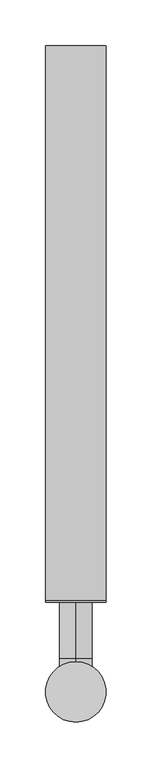
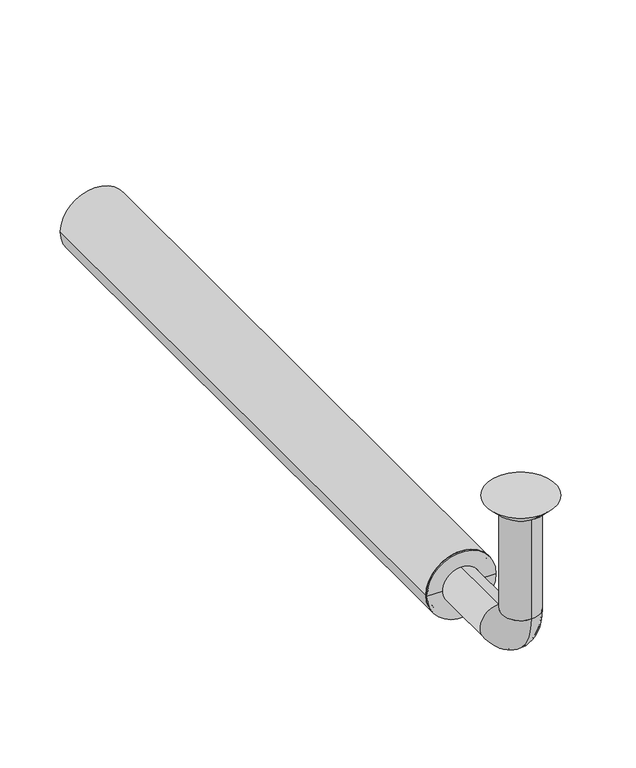
"""IFC4 building model written with IfcOpenShell, lengths in millimetres: beam geometry."""

from ifc_helpers import new_model, si_unit, point, frame, frame_2d, origin, place, context, project, spatial, polyline, circle_curve, ellipse_curve, trimmed, segment, composite_curve, outline, extrude, source, transform, mapped, element, save
from ifc_brep_helpers import plane_surface, cylinder_surface, revolved_surface, advanced_brep


def beam_f6199b5f(model_context):
    return source(origin(), model_context, "Body", "SolidModel", [
        extrude(outline(composite_curve([segment(trimmed(circle_curve(frame_2d((-150.0, 0.0)), 33.0), [point((-150.0, 33.0))], [point((-150.0, -33.0))], False, "CARTESIAN"), True, "CONTINUOUS"), segment(trimmed(circle_curve(frame_2d((-150.0, 0.0)), 33.0), [point((-150.0, -33.0))], [point((-150.0, 33.0))], False, "CARTESIAN"), True, "CONTINUOUS")], self_intersect=False), holes=[composite_curve([segment(trimmed(circle_curve(frame_2d((-150.0, 0.0)), 30.0), [point((-150.0, 30.0))], [point((-150.0, -30.0))], True, "CARTESIAN"), True, "CONTINUOUS"), segment(trimmed(circle_curve(frame_2d((-150.0, 0.0)), 30.0), [point((-150.0, -30.0))], [point((-150.0, 30.0))], True, "CARTESIAN"), True, "CONTINUOUS")], self_intersect=False)]), frame((0.0, 100.0, 0.0), z_axis=(0.0, 1.0, 0.0), x_axis=(0.0, 0.0, 1.0)), (0.0, 0.0, 1.0), 605.0),
        advanced_brep(
        [(0.0, -18.0, -10.0), (0.0, 18.0, -10.0), (0.0, -17.0, -10.0), (0.0, 17.0, -10.0), (0.0, -18.0, -114.0), (0.0, 18.0, -114.0), (0.0, -17.0, -114.0), (0.0, 17.0, -114.0), (0.0, 36.0, -132.0), (0.0, 36.0, -168.0), (0.0, 36.0, -133.0), (0.0, 36.0, -167.0), (0.0, 123.0, -168.0), (0.0, 123.0, -132.0), (0.0, 123.0, -167.0), (0.0, 123.0, -133.0)],
        [
            (0, 1, circle_curve(frame((0.0, 0.0, -10.0), z_axis=(0.0, 0.0, 1.0), x_axis=(0.0, 1.0, 0.0)), 18.0)),
            (1, 0, circle_curve(frame((0.0, 0.0, -10.0), z_axis=(0.0, 0.0, 1.0), x_axis=(0.0, 1.0, 0.0)), 18.0)),
            (2, 3, circle_curve(frame((0.0, 0.0, -10.0), z_axis=(0.0, 0.0, -1.0), x_axis=(0.0, 1.0, 0.0)), 17.0)),
            (3, 2, circle_curve(frame((0.0, 0.0, -10.0), z_axis=(0.0, 0.0, -1.0), x_axis=(0.0, 1.0, 0.0)), 17.0)),
            (0, 4),
            (4, 5, circle_curve(frame((0.0, 0.0, -114.0), z_axis=(0.0, 0.0, 1.0), x_axis=(0.0, 1.0, 0.0)), 18.0)),
            (5, 1),
            (5, 4, circle_curve(frame((0.0, 0.0, -114.0), z_axis=(0.0, 0.0, 1.0), x_axis=(0.0, 1.0, 0.0)), 18.0)),
            (2, 6),
            (6, 7, circle_curve(frame((0.0, 0.0, -114.0), z_axis=(0.0, 0.0, -1.0), x_axis=(0.0, 1.0, 0.0)), 17.0)),
            (7, 3),
            (7, 6, circle_curve(frame((0.0, 0.0, -114.0), z_axis=(0.0, 0.0, -1.0), x_axis=(0.0, 1.0, 0.0)), 17.0)),
            (8, 5, circle_curve(frame((0.0, 36.0, -114.0), z_axis=(-1.0, 0.0, 0.0), x_axis=(0.0, -1.0, 0.0)), 18.0)),
            (4, 9, circle_curve(frame((0.0, 36.0, -114.0), z_axis=(1.0, 0.0, 0.0), x_axis=(0.0, -1.0, 0.0)), 54.0)),
            (9, 8, circle_curve(frame((0.0, 36.0, -150.0), z_axis=(0.0, -1.0, 0.0), x_axis=(0.0, 0.0, 1.0)), 18.0)),
            (8, 9, circle_curve(frame((0.0, 36.0, -150.0), z_axis=(0.0, -1.0, 0.0), x_axis=(0.0, 0.0, 1.0)), 18.0)),
            (10, 7, circle_curve(frame((0.0, 36.0, -114.0), z_axis=(-1.0, 0.0, 0.0), x_axis=(0.0, -1.0, 0.0)), 19.0)),
            (6, 11, circle_curve(frame((0.0, 36.0, -114.0), z_axis=(1.0, 0.0, 0.0), x_axis=(0.0, -1.0, 0.0)), 53.0)),
            (11, 10, circle_curve(frame((0.0, 36.0, -150.0), z_axis=(0.0, 1.0, 0.0), x_axis=(0.0, 0.0, 1.0)), 17.0)),
            (10, 11, circle_curve(frame((0.0, 36.0, -150.0), z_axis=(0.0, 1.0, 0.0), x_axis=(0.0, 0.0, 1.0)), 17.0)),
            (12, 13, circle_curve(frame((0.0, 123.0, -150.0), z_axis=(0.0, 1.0, 0.0), x_axis=(0.0, 0.0, 1.0)), 18.0)),
            (13, 12, circle_curve(frame((0.0, 123.0, -150.0), z_axis=(0.0, 1.0, 0.0), x_axis=(0.0, 0.0, 1.0)), 18.0)),
            (14, 15, circle_curve(frame((0.0, 123.0, -150.0), z_axis=(0.0, -1.0, 0.0), x_axis=(0.0, 0.0, 1.0)), 17.0)),
            (15, 14, circle_curve(frame((0.0, 123.0, -150.0), z_axis=(0.0, -1.0, 0.0), x_axis=(0.0, 0.0, 1.0)), 17.0)),
            (9, 12),
            (13, 8),
            (11, 14),
            (15, 10),
        ],
        [
            plane_surface(frame((0.0, 0.0, -10.0), z_axis=(0.0, 0.0, 1.0), x_axis=(1.0, 0.0, 0.0))),
            cylinder_surface(frame((0.0, 0.0, -10.0), z_axis=(0.0, 0.0, 1.0), x_axis=(0.0, 1.0, 0.0)), 18.0),
            revolved_surface(polyline([(0.0, 17.0, -114.0), (0.0, 17.0, -10.0)]), (0.0, 0.0, -10.0), (0.0, 0.0, -1.0)),
            revolved_surface(trimmed(ellipse_curve(frame((0.0, 0.0, -114.0), z_axis=(0.0, 0.0, 1.0), x_axis=(0.0, 1.0, 0.0)), 18.0, 18.0), [point((0.0, -18.0, -114.0))], [point((0.0, 18.0, -114.0))], True, "CARTESIAN"), (0.0, 36.0, -114.0), (1.0, 0.0, 0.0)),
            revolved_surface(trimmed(ellipse_curve(frame((0.0, 0.0, -114.0), z_axis=(0.0, 0.0, 1.0), x_axis=(0.0, 1.0, 0.0)), 18.0, 18.0), [point((0.0, 18.0, -114.0))], [point((0.0, -18.0, -114.0))], True, "CARTESIAN"), (0.0, 36.0, -114.0), (1.0, 0.0, 0.0)),
            revolved_surface(trimmed(ellipse_curve(frame((0.0, 0.0, -114.0), z_axis=(0.0, 0.0, -1.0), x_axis=(0.0, 1.0, 0.0)), 17.0, 17.0), [point((0.0, -17.0, -114.0))], [point((0.0, 17.0, -114.0))], True, "CARTESIAN"), (0.0, 36.0, -114.0), (1.0, 0.0, 0.0)),
            revolved_surface(trimmed(ellipse_curve(frame((0.0, 0.0, -114.0), z_axis=(0.0, 0.0, -1.0), x_axis=(0.0, 1.0, 0.0)), 17.0, 17.0), [point((0.0, 17.0, -114.0))], [point((0.0, -17.0, -114.0))], True, "CARTESIAN"), (0.0, 36.0, -114.0), (1.0, 0.0, 0.0)),
            plane_surface(frame((0.0, 123.0, -150.0), z_axis=(0.0, 1.0, 0.0), x_axis=(1.0, 0.0, 0.0))),
            cylinder_surface(frame((0.0, 36.0, -150.0), z_axis=(0.0, -1.0, 0.0), x_axis=(0.0, 0.0, 1.0)), 18.0),
            revolved_surface(polyline([(0.0, 123.0, -133.0), (0.0, 36.0, -133.0)]), (0.0, 36.0, -150.0), (0.0, 1.0, 0.0)),
        ],
        [
            (0, [[1, 2], [3, 4]]),
            (1, [[-1, 5, 6, 7]]),
            (1, [[-2, -7, 8, -5]]),
            (2, [[-3, 9, 10, 11]]),
            (2, [[-4, -11, 12, -9]]),
            (3, [[13, -6, 14, 15]]),
            (4, [[-14, -8, -13, 16]]),
            (5, [[17, -10, 18, 19]]),
            (6, [[-18, -12, -17, 20]]),
            (7, [[21, 22], [23, 24]]),
            (8, [[-15, 25, -22, 26]]),
            (8, [[-16, -26, -21, -25]]),
            (9, [[-19, 27, -24, 28]]),
            (9, [[-20, -28, -23, -27]]),
        ],
    ),
        advanced_brep(
        [(0.0, 23.0, -10.0), (0.0, -23.0, -10.0), (0.0, 33.0, 0.0), (0.0, -33.0, 0.0)],
        [
            (0, 1, circle_curve(frame((0.0, 0.0, -10.0), z_axis=(0.0, 0.0, -1.0), x_axis=(0.0, 1.0, 0.0)), 23.0)),
            (1, 0, circle_curve(frame((0.0, 0.0, -10.0), z_axis=(0.0, 0.0, -1.0), x_axis=(0.0, -1.0, 0.0)), 23.0)),
            (2, 3, circle_curve(frame((0.0, 0.0, 0.0), z_axis=(0.0, 0.0, 1.0), x_axis=(0.0, -1.0, 0.0)), 33.0)),
            (3, 2, circle_curve(frame((0.0, 0.0, 0.0), z_axis=(0.0, 0.0, 1.0), x_axis=(0.0, 1.0, 0.0)), 33.0)),
            (3, 1),
            (0, 2),
        ],
        [
            plane_surface(frame((0.0, 0.0, -10.0), z_axis=(0.0, 0.0, -1.0), x_axis=(-1.0, 0.0, 0.0))),
            plane_surface(frame((0.0, 0.0, 0.0), z_axis=(0.0, 0.0, 1.0), x_axis=(-1.0, 0.0, 0.0))),
            revolved_surface(polyline([(0.0, 23.0, -10.0), (0.0, 33.0, 0.0)]), (0.0, 0.0, -33.0), (0.0, 0.0, 1.0)),
            revolved_surface(polyline([(0.0, -23.0, -10.0), (0.0, -33.0, 0.0)]), (0.0, 0.0, -33.0), (0.0, 0.0, 1.0)),
        ],
        [
            (0, [[1, 2]]),
            (1, [[3, 4]]),
            (2, [[-4, 5, -1, 6]]),
            (3, [[-3, -6, -2, -5]]),
        ],
    ),
        advanced_brep(
        [(30.0, 100.0, -150.0), (-30.0, 100.0, -150.0), (-30.0, 123.0, -150.0), (30.0, 123.0, -150.0), (-18.0, 123.0, -150.0), (18.0, 123.0, -150.0), (-18.0, 98.0, -150.0), (18.0, 98.0, -150.0), (-33.0, 98.0, -150.0), (33.0, 98.0, -150.0), (-33.0, 100.0, -150.0), (33.0, 100.0, -150.0)],
        [
            (0, 1, circle_curve(frame((0.0, 100.0, -150.0), z_axis=(0.0, 1.0, 0.0), x_axis=(-1.0, 0.0, 0.0)), 30.0)),
            (1, 2),
            (2, 3, circle_curve(frame((0.0, 123.0, -150.0), z_axis=(0.0, -1.0, 0.0), x_axis=(-1.0, 0.0, 0.0)), 30.0)),
            (3, 0),
            (1, 0, circle_curve(frame((0.0, 100.0, -150.0), z_axis=(0.0, 1.0, 0.0), x_axis=(-1.0, 0.0, 0.0)), 30.0)),
            (3, 2, circle_curve(frame((0.0, 123.0, -150.0), z_axis=(0.0, -1.0, 0.0), x_axis=(-1.0, 0.0, 0.0)), 30.0)),
            (2, 4),
            (4, 5, circle_curve(frame((0.0, 123.0, -150.0), z_axis=(0.0, -1.0, 0.0), x_axis=(-1.0, 0.0, 0.0)), 18.0)),
            (5, 3),
            (5, 4, circle_curve(frame((0.0, 123.0, -150.0), z_axis=(0.0, -1.0, 0.0), x_axis=(-1.0, 0.0, 0.0)), 18.0)),
            (4, 6),
            (6, 7, circle_curve(frame((0.0, 98.0, -150.0), z_axis=(0.0, -1.0, 0.0), x_axis=(-1.0, 0.0, 0.0)), 18.0)),
            (7, 5),
            (7, 6, circle_curve(frame((0.0, 98.0, -150.0), z_axis=(0.0, -1.0, 0.0), x_axis=(-1.0, 0.0, 0.0)), 18.0)),
            (6, 8),
            (8, 9, circle_curve(frame((0.0, 98.0, -150.0), z_axis=(0.0, -1.0, 0.0), x_axis=(-1.0, 0.0, 0.0)), 33.0)),
            (9, 7),
            (9, 8, circle_curve(frame((0.0, 98.0, -150.0), z_axis=(0.0, -1.0, 0.0), x_axis=(-1.0, 0.0, 0.0)), 33.0)),
            (8, 10),
            (10, 11, circle_curve(frame((0.0, 100.0, -150.0), z_axis=(0.0, -1.0, 0.0), x_axis=(-1.0, 0.0, 0.0)), 33.0)),
            (11, 9),
            (11, 10, circle_curve(frame((0.0, 100.0, -150.0), z_axis=(0.0, -1.0, 0.0), x_axis=(-1.0, 0.0, 0.0)), 33.0)),
            (10, 1),
            (0, 11),
        ],
        [
            cylinder_surface(frame((0.0, 98.0, -150.0), z_axis=(0.0, -1.0, 0.0), x_axis=(-1.0, 0.0, 0.0)), 30.0),
            plane_surface(frame((0.0, 123.0, -150.0), z_axis=(0.0, 1.0, 0.0), x_axis=(-1.0, 0.0, 0.0))),
            revolved_surface(polyline([(-18.0, 98.0, -150.0), (-18.0, 123.0, -150.0)]), (0.0, 98.0, -150.0), (0.0, -1.0, 0.0)),
            plane_surface(frame((0.0, 98.0, -150.0), z_axis=(0.0, -1.0, 0.0), x_axis=(-1.0, 0.0, 0.0))),
            cylinder_surface(frame((0.0, 98.0, -150.0), z_axis=(0.0, -1.0, 0.0), x_axis=(-1.0, 0.0, 0.0)), 33.0),
            plane_surface(frame((0.0, 100.0, -150.0), z_axis=(0.0, 1.0, 0.0), x_axis=(-1.0, 0.0, 0.0))),
        ],
        [
            (0, [[1, 2, 3, 4]]),
            (0, [[5, -4, 6, -2]]),
            (1, [[-3, 7, 8, 9]]),
            (1, [[-6, -9, 10, -7]]),
            (2, [[-8, 11, 12, 13]]),
            (2, [[-10, -13, 14, -11]]),
            (3, [[-12, 15, 16, 17]]),
            (3, [[-14, -17, 18, -15]]),
            (4, [[-16, 19, 20, 21]]),
            (4, [[-18, -21, 22, -19]]),
            (5, [[-20, 23, -1, 24]]),
            (5, [[-22, -24, -5, -23]]),
        ],
    ),
    ])


if __name__ == "__main__":
    model = new_model("IFC4")
    model_context = context("Model", 3, world=origin())
    ifc_project = project(units=[si_unit("LENGTHUNIT", "METRE", prefix="MILLI")], contexts=[model_context])
    site = spatial("IfcSite", under=ifc_project)
    building = spatial("IfcBuilding", under=site)
    placement = place(None, origin())
    beam_shape = beam_f6199b5f(model_context)
    element("IfcBeam", 1, at=placement, inside=building, context=model_context, shape_type="MappedRepresentation", body=[
        mapped(beam_shape, transform((0.0, 0.0, 0.0), x_axis=(1.0, 0.0, 0.0), y_axis=(0.0, 1.0, 0.0), z_axis=(0.0, 0.0, 1.0))),
    ])
    save(model, "model.ifc")
